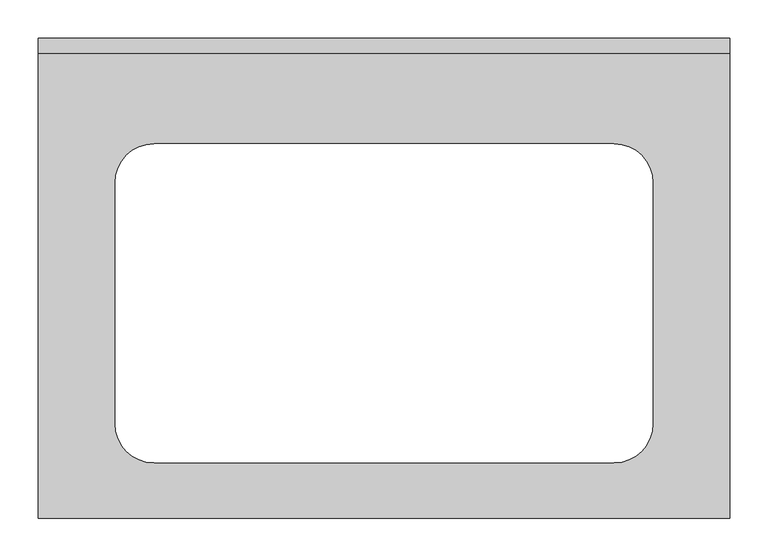
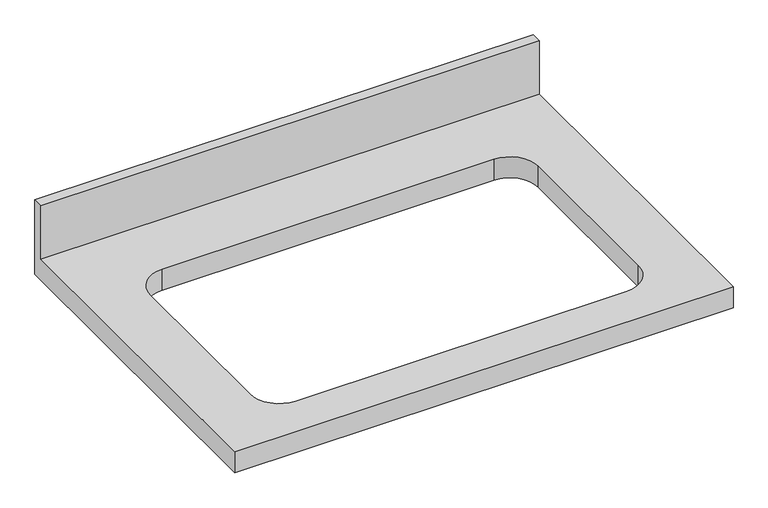
"""IFC4 building model written with IfcOpenShell, lengths in millimetres: furniture geometry."""

import ifcopenshell
import ifcopenshell.guid

model = None  # the IFC model being written
_history = None  # IfcOwnerHistory: only IFC2X3 demands one
_inside = {}  # id of a spatial element -> (the spatial element, [elements in it])
_under = {}  # id of a project, library or spatial element -> (it, [spatial elements below it])
_declared = {}  # id of a project -> (the project, [libraries it declares])
_typed = {}  # id of a type object -> (the type object, [elements of that type])
_made_of = {}  # id of a material, layer set ... -> (it, [elements and type objects made of it])


def new_model(schema):
    """Start an empty IFC model of exactly this schema.

    Asked for "IFC4X3", IfcOpenShell would pick the latest addendum, in which some entities
    have other attributes; the version numbers below select the first issue.
    IFC2X3 requires an IfcOwnerHistory on every rooted entity: one is made here for all.
    """
    global model, _history
    if schema == "IFC4X3":
        model = ifcopenshell.file(schema_version=(4, 3, 0, 0))
    else:
        model = ifcopenshell.file(schema=schema)
    _inside.clear()
    _under.clear()
    _declared.clear()
    _typed.clear()
    _made_of.clear()
    _history = None
    if model.schema == "IFC2X3":
        org = make("IfcOrganization", Name="unknown")
        user = make(
            "IfcPersonAndOrganization",
            ThePerson=make("IfcPerson", FamilyName="unknown"),
            TheOrganization=org,
        )
        app = make(
            "IfcApplication",
            ApplicationDeveloper=org,
            Version="unknown",
            ApplicationFullName="unknown",
            ApplicationIdentifier="unknown",
        )
        _history = make(
            "IfcOwnerHistory",
            OwningUser=user,
            OwningApplication=app,
            ChangeAction="ADDED",
            CreationDate=0,
        )
    return model


def make(cls, **values):
    """One entity of the class cls with the attributes given. An attribute that is None is left unset."""
    return model.create_entity(
        cls, **{name: value for name, value in values.items() if value is not None}
    )


def rooted(cls, **values):
    """An entity with a GlobalId (a new one), such as an element, a storey or a relation."""
    return make(cls, GlobalId=ifcopenshell.guid.new(), OwnerHistory=_history, **values)


def si_unit(unit_type, name, prefix=None):
    """IfcSIUnit, for example si_unit("LENGTHUNIT", "METRE", prefix="MILLI")."""
    return make("IfcSIUnit", UnitType=unit_type, Prefix=prefix, Name=name)


def assignment(units):
    """IfcUnitAssignment: the units of a project."""
    return None if units is None else make("IfcUnitAssignment", Units=units)


def point(xyz):
    """IfcCartesianPoint."""
    return None if xyz is None else make("IfcCartesianPoint", Coordinates=xyz)


def direction(xyz):
    """IfcDirection."""
    return None if xyz is None else make("IfcDirection", DirectionRatios=xyz)


def frame(location, z_axis=None, x_axis=None):
    """IfcAxis2Placement3D, a coordinate frame: its origin and axes. An axis left out is left unset."""
    return make(
        "IfcAxis2Placement3D",
        Location=point(location),
        Axis=direction(z_axis),
        RefDirection=direction(x_axis),
    )


def origin():
    """The frame at (0, 0, 0) with its axes left unset."""
    return frame((0.0, 0.0, 0.0))


def place(relative_to, where):
    """IfcLocalPlacement: puts the frame where relative to a parent placement (None: the world)."""
    return make(
        "IfcLocalPlacement", PlacementRelTo=relative_to, RelativePlacement=where
    )


def context(
    kind, dimensions, precision=None, world=None, true_north=None, identifier=None
):
    """IfcGeometricRepresentationContext, for example the 3D "Model" context."""
    return make(
        "IfcGeometricRepresentationContext",
        ContextIdentifier=identifier,
        ContextType=kind,
        CoordinateSpaceDimension=dimensions,
        Precision=precision,
        WorldCoordinateSystem=world,
        TrueNorth=true_north,
    )


def project(units=None, contexts=None):
    """IfcProject with its units and contexts."""
    return rooted(
        "IfcProject",
        Name="project",
        RepresentationContexts=contexts,
        UnitsInContext=assignment(units),
    )


def spatial(cls, under=None, at=None, **own):
    """A site, building, storey or space (cls), placed at a placement, below another one or the project."""
    s = rooted(cls, ObjectPlacement=at, **own)
    if under is not None:
        _under.setdefault(under.id(), (under, []))[1].append(s)
    return s


def polyline(points):
    """IfcPolyline through the points."""
    return make("IfcPolyline", Points=[point(p) for p in points])


def circle_curve(where, radius):
    """IfcCircle in the frame where."""
    return make("IfcCircle", Position=where, Radius=radius)


def shape(context_of_items, identifier, shape_type, items):
    """IfcShapeRepresentation: the items that make up one representation, for example the "Body"."""
    return make(
        "IfcShapeRepresentation",
        ContextOfItems=context_of_items,
        RepresentationIdentifier=identifier,
        RepresentationType=shape_type,
        Items=items,
    )


def source(mapping_origin, context_of_items, identifier, shape_type, items):
    """IfcRepresentationMap: a shape defined once, which mapped items show again and again."""
    return make(
        "IfcRepresentationMap",
        MappingOrigin=mapping_origin,
        MappedRepresentation=shape(context_of_items, identifier, shape_type, items),
    )


def transform(
    local_origin,
    x_axis=None,
    y_axis=None,
    z_axis=None,
    scale=None,
    scale2=None,
    scale3=None,
    uniform=True,
):
    """IfcCartesianTransformationOperator3D, or its non-uniform kind. x_axis, y_axis, z_axis: its Axis1, 2, 3."""
    if uniform:
        return make(
            "IfcCartesianTransformationOperator3D",
            Axis1=direction(x_axis),
            Axis2=direction(y_axis),
            LocalOrigin=point(local_origin),
            Scale=scale,
            Axis3=direction(z_axis),
        )
    return make(
        "IfcCartesianTransformationOperator3DnonUniform",
        Axis1=direction(x_axis),
        Axis2=direction(y_axis),
        LocalOrigin=point(local_origin),
        Scale=scale,
        Axis3=direction(z_axis),
        Scale2=scale2,
        Scale3=scale3,
    )


def mapped(mapping_source, mapping_target):
    """IfcMappedItem: shows the shape of a source again, moved by a transform."""
    return make(
        "IfcMappedItem", MappingSource=mapping_source, MappingTarget=mapping_target
    )


def made_of(thing, what):
    """Note that an element or type object is made of a material, layer set ...; save() writes the relation."""
    if what is not None:
        _made_of.setdefault(what.id(), (what, []))[1].append(thing)
    return thing


def element(
    cls,
    number,
    at=None,
    inside=None,
    cuts=None,
    type_object=None,
    material=None,
    context=None,
    identifier="Body",
    shape_type=None,
    held_by="IfcProductDefinitionShape",
    body=None,
    shapes=None,
    **own,
):
    """One element of the class cls, such as IfcWall. Its Tag is "e" and its number.

    at: its placement. inside: the storey or other place that contains it. cuts: it is an
    opening in that element (IfcRelVoidsElement). A single representation is given by context,
    identifier, shape_type and body (its items); several are given by shapes. held_by: the class
    of the entity that holds the representations. save() writes the other relations.
    """
    e = rooted(cls, Tag="e%d" % number, ObjectPlacement=at, **own)
    if body is not None:
        shapes = [shape(context, identifier, shape_type, body)]
    if shapes is not None:
        e.Representation = make(held_by, Representations=shapes)
    if inside is not None:
        _inside.setdefault(inside.id(), (inside, []))[1].append(e)
    if cuts is not None:
        rooted(
            "IfcRelVoidsElement", RelatingBuildingElement=cuts, RelatedOpeningElement=e
        )
    if type_object is not None:
        _typed.setdefault(type_object.id(), (type_object, []))[1].append(e)
    return made_of(e, material)


def aggregate(whole, parts):
    """IfcRelAggregates: a whole, such as a stair, and the parts it consists of."""
    return rooted("IfcRelAggregates", RelatingObject=whole, RelatedObjects=parts)


def save(model, path):
    """Write the relations noted so far, then the file.

    IfcRelAggregates (storeys below a building ...), IfcRelContainedInSpatialStructure (elements
    in a storey), IfcRelDefinesByType, IfcRelAssociatesMaterial and IfcRelDeclares: one each for
    every whole, place, type object, material and project.
    """
    for whole, parts in _under.values():
        aggregate(whole, parts)
    for where, things in _inside.values():
        rooted(
            "IfcRelContainedInSpatialStructure",
            RelatedElements=things,
            RelatingStructure=where,
        )
    for kind, things in _typed.values():
        rooted("IfcRelDefinesByType", RelatedObjects=things, RelatingType=kind)
    for what, things in _made_of.values():
        rooted("IfcRelAssociatesMaterial", RelatedObjects=things, RelatingMaterial=what)
    for by, libraries in _declared.values():
        rooted("IfcRelDeclares", RelatingContext=by, RelatedDefinitions=libraries)
    model.write(path)


def plane_surface(at):
    """IfcPlane: the flat surface through the origin of the frame at, square to its z axis."""
    return make("IfcPlane", Position=at)


def revolved_surface(curve, axis_point, axis_direction):
    """IfcSurfaceOfRevolution: the curve turned about the line through axis_point along axis_direction."""
    return make(
        "IfcSurfaceOfRevolution",
        SweptCurve=make("IfcArbitraryOpenProfileDef", ProfileType="CURVE", Curve=curve),
        AxisPosition=make("IfcAxis1Placement", Location=point(axis_point), Axis=direction(axis_direction)),
    )


def advanced_brep(points, edges, surfaces, faces):
    """IfcAdvancedBrep: a solid bounded by faces that lie on surfaces and meet in shared edges.

    An edge is (start, end): straight between two places in points (the first is 0);
    or (start, end, curve); or (start, end, curve, False) where it runs against its curve.
    A face is (place in surfaces, loops), or (place, loops, False) where it looks against
    its surface's normal. A loop lists edges by number (the first is 1), with a minus sign
    where the edge is run from its end to its start. The first loop is the outer one.
    """
    corners = [point(p) for p in points]
    vertices = [make("IfcVertexPoint", VertexGeometry=c) for c in corners]
    made = []
    for start, end, *more in edges:
        made.append(
            make(
                "IfcEdgeCurve",
                EdgeStart=vertices[start],
                EdgeEnd=vertices[end],
                EdgeGeometry=more[0] if more else make("IfcPolyline", Points=[corners[start], corners[end]]),
                SameSense=more[1] if len(more) > 1 else True,
            )
        )
    hull = []
    for where, loops, *sense in faces:
        bounds = []
        for j, loop in enumerate(loops):
            ring = [make("IfcOrientedEdge", EdgeElement=made[abs(k) - 1], Orientation=k > 0) for k in loop]
            bounds.append(
                make(
                    "IfcFaceOuterBound" if j == 0 else "IfcFaceBound",
                    Bound=make("IfcEdgeLoop", EdgeList=ring),
                    Orientation=True,
                )
            )
        hull.append(make("IfcAdvancedFace", Bounds=bounds, FaceSurface=surfaces[where], SameSense=sense[0] if sense else True))
    return make("IfcAdvancedBrep", Outer=make("IfcClosedShell", CfsFaces=hull))


def furniture_734861dc(model_context):
    return source(origin(), model_context, "Body", "AdvancedBrep", [
        advanced_brep(
        [(-1200.4622951, -625.0, 900.0), (-300.4622951, -625.0, 900.0), (-300.4622951, -19.05, 900.0), (-1200.4622951, -19.05, 900.0), (-1049.8622951, -137.3, 900.0), (-451.0622951, -137.3, 900.0), (-400.2622951, -188.1, 900.0), (-400.2622951, -501.9, 900.0), (-451.0622951, -552.7, 900.0), (-1049.8622951, -552.7, 900.0), (-1100.6622951, -501.9, 900.0), (-1100.6622951, -188.1, 900.0), (-300.4622951, 0.0, 860.0), (-300.4622951, -625.0, 860.0), (-1200.4622951, -625.0, 860.0), (-1200.4622951, 0.0, 860.0), (-451.0622951, -137.3, 860.0), (-1049.8622951, -137.3, 860.0), (-1100.6622951, -188.1, 860.0), (-1100.6622951, -501.9, 860.0), (-1049.8622951, -552.7, 860.0), (-451.0622951, -552.7, 860.0), (-400.2622951, -501.9, 860.0), (-400.2622951, -188.1, 860.0), (-1200.4622951, 0.0, 1001.6), (-300.4622951, 0.0, 1001.6), (-1200.4622951, -19.05, 1001.6), (-300.4622951, -19.05, 1001.6)],
        [
            (0, 1),
            (1, 2),
            (2, 3),
            (3, 0),
            (4, 5),
            (5, 6, circle_curve(frame((-451.0622951, -188.1, 900.0), z_axis=(0.0, 0.0, -1.0), x_axis=(1.0, 0.0, 0.0)), 50.8)),
            (6, 7),
            (7, 8, circle_curve(frame((-451.0622951, -501.9, 900.0), z_axis=(0.0, 0.0, -1.0), x_axis=(1.0, 0.0, 0.0)), 50.8)),
            (8, 9),
            (9, 10, circle_curve(frame((-1049.8622951, -501.9, 900.0), z_axis=(0.0, 0.0, -1.0), x_axis=(1.0, 0.0, 0.0)), 50.8)),
            (10, 11),
            (11, 4, circle_curve(frame((-1049.8622951, -188.1, 900.0), z_axis=(0.0, 0.0, -1.0), x_axis=(1.0, 0.0, 0.0)), 50.8)),
            (12, 13),
            (13, 14),
            (14, 15),
            (15, 12),
            (16, 17),
            (17, 18, circle_curve(frame((-1049.8622951, -188.1, 860.0), z_axis=(0.0, 0.0, 1.0), x_axis=(1.0, 0.0, 0.0)), 50.8)),
            (18, 19),
            (19, 20, circle_curve(frame((-1049.8622951, -501.9, 860.0), z_axis=(0.0, 0.0, 1.0), x_axis=(1.0, 0.0, 0.0)), 50.8)),
            (20, 21),
            (21, 22, circle_curve(frame((-451.0622951, -501.9, 860.0), z_axis=(0.0, 0.0, 1.0), x_axis=(1.0, 0.0, 0.0)), 50.8)),
            (22, 23),
            (23, 16, circle_curve(frame((-451.0622951, -188.1, 860.0), z_axis=(0.0, 0.0, 1.0), x_axis=(1.0, 0.0, 0.0)), 50.8)),
            (15, 24),
            (24, 25),
            (25, 12),
            (14, 0),
            (3, 26),
            (26, 24),
            (13, 1),
            (25, 27),
            (27, 2),
            (26, 27),
            (4, 17),
            (16, 5),
            (11, 18),
            (10, 19),
            (9, 20),
            (8, 21),
            (7, 22),
            (6, 23),
        ],
        [
            plane_surface(frame((-1200.4622951, 0.0, 900.0), z_axis=(0.0, 0.0, 1.0), x_axis=(-1.0, 0.0, 0.0))),
            plane_surface(frame((-1200.4622951, 0.0, 860.0), z_axis=(0.0, 0.0, -1.0), x_axis=(1.0, 0.0, 0.0))),
            plane_surface(frame((-300.4622951, 0.0, 900.0), z_axis=(0.0, 1.0, 0.0), x_axis=(0.0, 0.0, -1.0))),
            plane_surface(frame((-1200.4622951, 0.0, 900.0), z_axis=(-1.0, 0.0, 0.0), x_axis=(0.0, 0.0, -1.0))),
            plane_surface(frame((-1200.4622951, -625.0, 900.0), z_axis=(0.0, -1.0, 0.0), x_axis=(0.0, 0.0, -1.0))),
            plane_surface(frame((-300.4622951, -625.0, 900.0), z_axis=(1.0, 0.0, 0.0), x_axis=(0.0, 0.0, -1.0))),
            plane_surface(frame((-1200.4622951, 0.0, 1001.6), z_axis=(0.0, 0.0, 1.0), x_axis=(0.0, -1.0, 0.0))),
            plane_surface(frame((-1200.4622951, -19.05, 1001.6), z_axis=(0.0, -1.0, 0.0), x_axis=(0.0, 0.0, -1.0))),
            plane_surface(frame((-451.0622951, -137.3, 900.0), z_axis=(0.0, -1.0, 0.0), x_axis=(0.0, 0.0, -1.0))),
            revolved_surface(polyline([(-999.0622951, -188.1, 900.0), (-999.0622951, -188.1, 860.0)]), (-1049.8622951, -188.1, 860.0), (0.0, 0.0, 1.0)),
            plane_surface(frame((-1100.6622951, -188.1, 900.0), z_axis=(1.0, 0.0, 0.0), x_axis=(0.0, 0.0, -1.0))),
            revolved_surface(polyline([(-999.0622951, -501.9, 900.0), (-999.0622951, -501.9, 860.0)]), (-1049.8622951, -501.9, 860.0), (0.0, 0.0, 1.0)),
            plane_surface(frame((-1049.8622951, -552.7, 900.0), z_axis=(0.0, 1.0, 0.0), x_axis=(0.0, 0.0, -1.0))),
            revolved_surface(polyline([(-400.26229509999996, -501.9, 900.0), (-400.26229509999996, -501.9, 860.0)]), (-451.0622951, -501.9, 860.0), (0.0, 0.0, 1.0)),
            plane_surface(frame((-400.2622951, -501.9, 900.0), z_axis=(-1.0, 0.0, 0.0), x_axis=(0.0, 0.0, -1.0))),
            revolved_surface(polyline([(-400.26229509999996, -188.1, 900.0), (-400.26229509999996, -188.1, 860.0)]), (-451.0622951, -188.1, 860.0), (0.0, 0.0, 1.0)),
        ],
        [
            (0, [[1, 2, 3, 4], [5, 6, 7, 8, 9, 10, 11, 12]]),
            (1, [[13, 14, 15, 16], [17, 18, 19, 20, 21, 22, 23, 24]]),
            (2, [[-16, 25, 26, 27]]),
            (3, [[-15, 28, -4, 29, 30, -25]]),
            (4, [[-1, -28, -14, 31]]),
            (5, [[-13, -27, 32, 33, -2, -31]]),
            (6, [[-30, 34, -32, -26]]),
            (7, [[-34, -29, -3, -33]]),
            (8, [[35, -17, 36, -5]]),
            (9, [[-35, -12, 37, -18]]),
            (10, [[-37, -11, 38, -19]]),
            (11, [[-38, -10, 39, -20]]),
            (12, [[-39, -9, 40, -21]]),
            (13, [[-40, -8, 41, -22]]),
            (14, [[-41, -7, 42, -23]]),
            (15, [[-36, -24, -42, -6]]),
        ],
    ),
    ])


if __name__ == "__main__":
    model = new_model("IFC4")
    model_context = context("Model", 3, world=origin())
    ifc_project = project(units=[si_unit("LENGTHUNIT", "METRE", prefix="MILLI")], contexts=[model_context])
    site = spatial("IfcSite", under=ifc_project)
    building = spatial("IfcBuilding", under=site)
    placement = place(None, origin())
    furniture_shape = furniture_734861dc(model_context)
    element("IfcFurniture", 1, at=placement, inside=building, context=model_context, shape_type="MappedRepresentation", body=[
        mapped(furniture_shape, transform((0.0, 0.0, 0.0), x_axis=(1.0, 0.0, 0.0), y_axis=(0.0, 1.0, 0.0), z_axis=(0.0, 0.0, 1.0))),
    ])
    save(model, "model.ifc")
